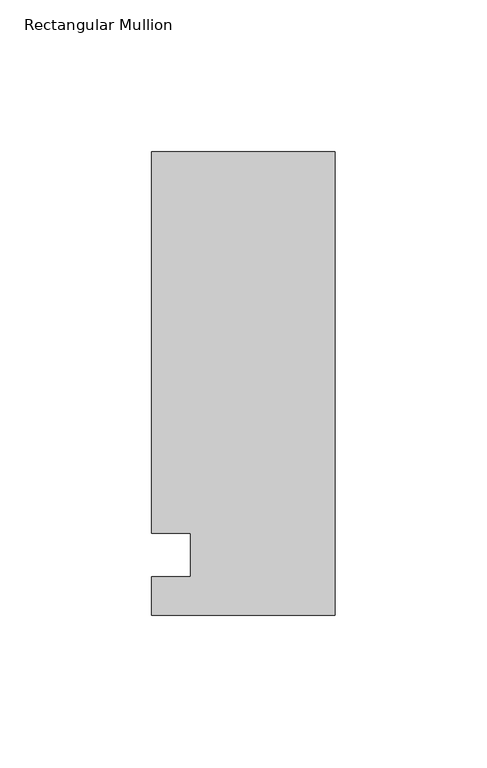
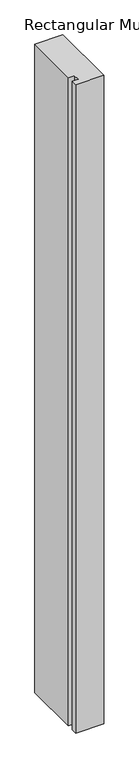
"""IFC4 building model written with IfcOpenShell, lengths in millimetres: member geometry, Rectangular Mullion."""

from ifc_helpers import new_model, si_unit, frame, origin, place, context, project, spatial, polyline, outline, extrude, source, transform, mapped, element, save


def rectangular_mullion_4e06d5a3(model_context):
    return source(origin(), model_context, "Body", "SweptSolid", [
        extrude(outline(polyline([(-60.325, 132.55625), (0.0, 132.55625), (0.0, -19.84375), (-60.325, -19.84375), (-60.325, -7.14375), (-47.6232296, -7.14375), (-47.6232296, 7.14375), (-60.325, 7.14375), (-60.325, 132.55625)])), frame((0.0, 0.0, -1478.28), z_axis=(0.0, 0.0, 1.0), x_axis=(1.0, 0.0, 0.0)), (0.0, 0.0, 1.0), 1478.28),
    ])


if __name__ == "__main__":
    model = new_model("IFC4")
    model_context = context("Model", 3, world=origin())
    ifc_project = project(units=[si_unit("LENGTHUNIT", "METRE", prefix="MILLI")], contexts=[model_context])
    site = spatial("IfcSite", under=ifc_project)
    building = spatial("IfcBuilding", under=site)
    placement = place(None, origin())
    rectangular_mullion_shape = rectangular_mullion_4e06d5a3(model_context)
    element("IfcMember", 1, ObjectType="Rectangular Mullion", at=placement, inside=building, context=model_context, shape_type="MappedRepresentation", body=[
        mapped(rectangular_mullion_shape, transform((0.0, 0.0, 0.0), x_axis=(1.0, 0.0, 0.0), y_axis=(0.0, 1.0, 0.0), z_axis=(0.0, 0.0, 1.0))),
    ])
    save(model, "model.ifc")
